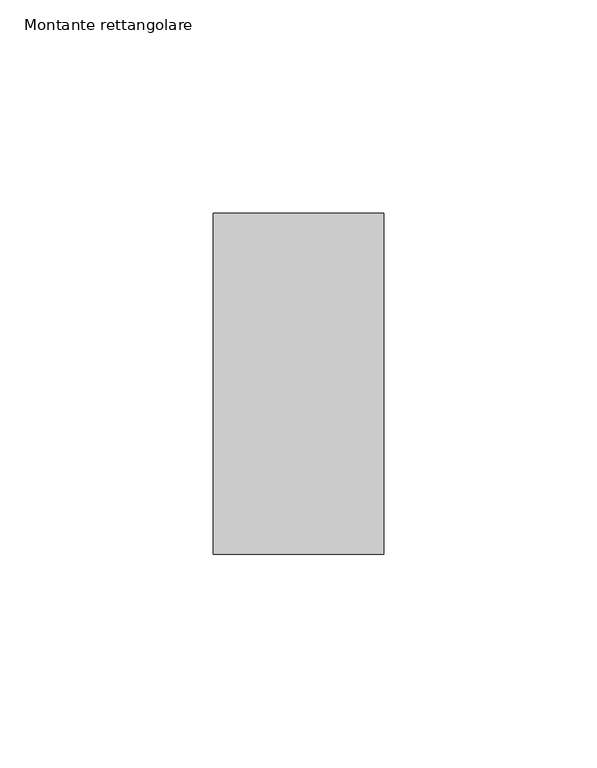
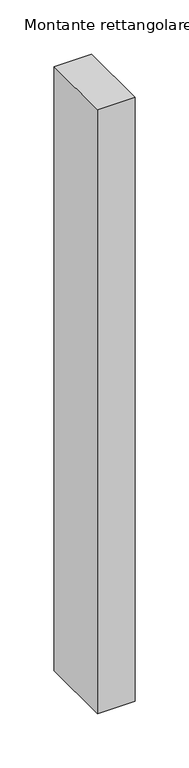
"""IFC4 building model written with IfcOpenShell, lengths in millimetres: member geometry, Montante rettangolare."""

from ifc_helpers import new_model, si_unit, frame, origin, place, context, project, spatial, polyline, outline, extrude, source, transform, mapped, element, save


def montante_rettangolare_3144e7f6(model_context):
    return source(origin(), model_context, "Body", "SweptSolid", [
        extrude(outline(polyline([(20.0, 60.0), (20.0, -20.0), (-20.0, -20.0), (-20.0, 60.0), (20.0, 60.0)])), frame((0.0, 0.0, -680.2146031), z_axis=(0.0, 0.0, 1.0), x_axis=(1.0, 0.0, 0.0)), (0.0, 0.0, 1.0), 680.2146031),
    ])


if __name__ == "__main__":
    model = new_model("IFC4")
    model_context = context("Model", 3, world=origin())
    ifc_project = project(units=[si_unit("LENGTHUNIT", "METRE", prefix="MILLI")], contexts=[model_context])
    site = spatial("IfcSite", under=ifc_project)
    building = spatial("IfcBuilding", under=site)
    placement = place(None, origin())
    montante_rettangolare_shape = montante_rettangolare_3144e7f6(model_context)
    element("IfcMember", 1, ObjectType="Montante rettangolare", at=placement, inside=building, context=model_context, shape_type="MappedRepresentation", body=[
        mapped(montante_rettangolare_shape, transform((0.0, 0.0, 0.0), x_axis=(1.0, 0.0, 0.0), y_axis=(0.0, 1.0, 0.0), z_axis=(0.0, 0.0, 1.0))),
    ])
    save(model, "model.ifc")
